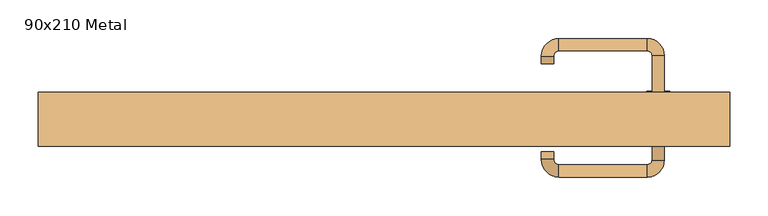
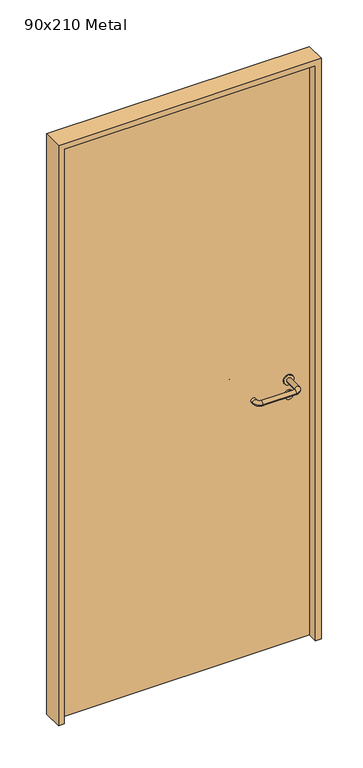
"""IFC4 building model written with IfcOpenShell, lengths in millimetres: door geometry, 90x210 Metal."""

from ifc_helpers import new_model, si_unit, point, frame, frame_2d, origin, origin_with_axes, place, context, project, spatial, polyline, circle_curve, ellipse_curve, trimmed, segment, composite_curve, outline, extrude, source, transform, mapped, element, save
from ifc_brep_helpers import plane_surface, cylinder_surface, revolved_surface, advanced_brep


def door_90x210_metal_a7bb3aa3(model_context):
    return source(origin(), model_context, "Body", "SolidModel", [
        extrude(outline(composite_curve([segment(trimmed(circle_curve(frame_2d((897.3605726, 357.0)), 15.0), [point((897.3605726, 372.0))], [point((897.3605726, 342.0))], False, "CARTESIAN"), True, "CONTINUOUS"), segment(trimmed(circle_curve(frame_2d((897.3605726, 357.0)), 15.0), [point((897.3605726, 342.0))], [point((897.3605726, 372.0))], False, "CARTESIAN"), True, "CONTINUOUS")], self_intersect=False), holes=[composite_curve([segment(trimmed(circle_curve(frame_2d((892.5833211, 356.9398032)), 2.0), [point((892.5833211, 358.9398032))], [point((892.5833211, 354.9398032))], True, "CARTESIAN"), True, "CONTINUOUS"), segment(polyline([(892.5833211, 354.9398032), (902.5833211, 354.9398032)]), True, "CONTINUOUS"), segment(trimmed(circle_curve(frame_2d((902.5833211, 356.9398032)), 2.0), [point((902.5833211, 354.9398032))], [point((902.5833211, 358.9398032))], True, "CARTESIAN"), True, "CONTINUOUS"), segment(polyline([(902.5833211, 358.9398032), (892.5833211, 358.9398032)]), True, "CONTINUOUS")], self_intersect=False)]), frame((0.0, -1.35, 0.0), z_axis=(0.0, 1.0, 0.0), x_axis=(0.0, 0.0, 1.0)), (0.0, 0.0, 1.0), 6.35),
        extrude(outline(composite_curve([segment(trimmed(circle_curve(frame_2d((950.0, 357.0)), 17.526), [point((950.0, 374.526))], [point((950.0, 339.474))], False, "CARTESIAN"), True, "CONTINUOUS"), segment(trimmed(circle_curve(frame_2d((950.0, 357.0)), 17.526), [point((950.0, 339.474))], [point((950.0, 374.526))], False, "CARTESIAN"), True, "CONTINUOUS")], self_intersect=False)), frame((0.0, 1.825, 0.0), z_axis=(0.0, 1.0, 0.0), x_axis=(0.0, 0.0, 1.0)), (0.0, 0.0, 1.0), 3.175),
        advanced_brep(
        [(365.0, 5.0, 950.0), (349.0, 5.0, 950.0), (349.0, -48.0, 950.0), (365.0, -48.0, 950.0), (342.8578644, -54.1421356, 950.0), (342.8578644, -70.1421356, 950.0), (227.8578644, -54.1421356, 950.0), (227.8578644, -70.1421356, 950.0), (221.008622, -47.2928932, 950.0), (205.008622, -47.2928932, 950.0), (205.008622, -37.2928932, 950.0), (221.008622, -37.2928932, 950.0)],
        [
            (0, 1, circle_curve(frame((357.0, 5.0, 950.0), z_axis=(0.0, 1.0, 0.0), x_axis=(-1.0, 0.0, 0.0)), 8.0)),
            (1, 0, circle_curve(frame((357.0, 5.0, 950.0), z_axis=(0.0, 1.0, 0.0), x_axis=(-1.0, 0.0, 0.0)), 8.0)),
            (1, 2),
            (2, 3, circle_curve(frame((357.0, -48.0, 950.0), z_axis=(0.0, 1.0, 0.0), x_axis=(-1.0, 0.0, 0.0)), 8.0)),
            (3, 0),
            (3, 2, circle_curve(frame((357.0, -48.0, 950.0), z_axis=(0.0, 1.0, 0.0), x_axis=(-1.0, 0.0, 0.0)), 8.0)),
            (4, 5, circle_curve(frame((342.8578644, -62.1421356, 950.0), z_axis=(1.0, 0.0, 0.0), x_axis=(0.0, 1.0, 0.0)), 8.0)),
            (5, 3, circle_curve(frame((342.8578644, -48.0, 950.0), z_axis=(0.0, 0.0, 1.0), x_axis=(1.0, 0.0, 0.0)), 22.1421356)),
            (2, 4, circle_curve(frame((342.8578644, -48.0, 950.0), z_axis=(0.0, 0.0, -1.0), x_axis=(1.0, 0.0, 0.0)), 6.1421356)),
            (5, 4, circle_curve(frame((342.8578644, -62.1421356, 950.0), z_axis=(1.0, 0.0, 0.0), x_axis=(0.0, 1.0, 0.0)), 8.0)),
            (4, 6),
            (6, 7, circle_curve(frame((227.8578644, -62.1421356, 950.0), z_axis=(1.0, 0.0, 0.0), x_axis=(0.0, 1.0, 0.0)), 8.0)),
            (7, 5),
            (7, 6, circle_curve(frame((227.8578644, -62.1421356, 950.0), z_axis=(1.0, 0.0, 0.0), x_axis=(0.0, 1.0, 0.0)), 8.0)),
            (8, 9, circle_curve(frame((213.008622, -47.2928932, 950.0), z_axis=(0.0, -1.0, 0.0), x_axis=(1.0, 0.0, 0.0)), 8.0)),
            (9, 7, circle_curve(frame((227.8578644, -47.2928932, 950.0), z_axis=(0.0, 0.0, 1.0), x_axis=(0.0, -1.0, 0.0)), 22.8492424)),
            (6, 8, circle_curve(frame((227.8578644, -47.2928932, 950.0), z_axis=(0.0, 0.0, -1.0), x_axis=(0.0, -1.0, 0.0)), 6.8492424)),
            (9, 8, circle_curve(frame((213.008622, -47.2928932, 950.0), z_axis=(0.0, -1.0, 0.0), x_axis=(1.0, 0.0, 0.0)), 8.0)),
            (10, 11, circle_curve(frame((213.008622, -37.2928932, 950.0), z_axis=(0.0, 1.0, 0.0), x_axis=(1.0, 0.0, 0.0)), 8.0)),
            (11, 10, circle_curve(frame((213.008622, -37.2928932, 950.0), z_axis=(0.0, 1.0, 0.0), x_axis=(1.0, 0.0, 0.0)), 8.0)),
            (8, 11),
            (10, 9),
        ],
        [
            plane_surface(frame((357.0, 5.0, 0.0), z_axis=(0.0, 1.0, 0.0), x_axis=(0.0, 0.0, 1.0))),
            cylinder_surface(frame((357.0, 5.0, 950.0), z_axis=(0.0, 1.0, 0.0), x_axis=(-1.0, 0.0, 0.0)), 8.0),
            revolved_surface(trimmed(ellipse_curve(frame((357.0, -48.0, 950.0), z_axis=(0.0, -1.0, 0.0), x_axis=(-1.0, 0.0, 0.0)), 8.0, 8.0), [point((365.0, -48.0, 950.0))], [point((349.0, -48.0, 950.0))], True, "CARTESIAN"), (342.8578644, -48.0, 0.0), (0.0, 0.0, 1.0)),
            revolved_surface(trimmed(ellipse_curve(frame((357.0, -48.0, 950.0), z_axis=(0.0, -1.0, 0.0), x_axis=(-1.0, 0.0, 0.0)), 8.0, 8.0), [point((349.0, -48.0, 950.0))], [point((365.0, -48.0, 950.0))], True, "CARTESIAN"), (342.8578644, -48.0, 0.0), (0.0, 0.0, 1.0)),
            cylinder_surface(frame((342.8578644, -62.1421356, 950.0), z_axis=(1.0, 0.0, 0.0), x_axis=(0.0, 1.0, 0.0)), 8.0),
            revolved_surface(trimmed(ellipse_curve(frame((227.8578644, -62.1421356, 950.0), z_axis=(-1.0, 0.0, 0.0), x_axis=(0.0, 1.0, 0.0)), 8.0, 8.0), [point((227.8578644, -70.1421356, 950.0))], [point((227.8578644, -54.1421356, 950.0))], True, "CARTESIAN"), (227.8578644, -47.2928932, 0.0), (0.0, 0.0, 1.0)),
            revolved_surface(trimmed(ellipse_curve(frame((227.8578644, -62.1421356, 950.0), z_axis=(-1.0, 0.0, 0.0), x_axis=(0.0, 1.0, 0.0)), 8.0, 8.0), [point((227.8578644, -54.1421356, 950.0))], [point((227.8578644, -70.1421356, 950.0))], True, "CARTESIAN"), (227.8578644, -47.2928932, 0.0), (0.0, 0.0, 1.0)),
            plane_surface(frame((213.008622, -37.2928932, 0.0), z_axis=(0.0, 1.0, 0.0), x_axis=(0.0, 0.0, 1.0))),
            cylinder_surface(frame((213.008622, -47.2928932, 950.0), z_axis=(0.0, -1.0, 0.0), x_axis=(1.0, 0.0, 0.0)), 8.0),
        ],
        [
            (0, [[1, 2]]),
            (1, [[3, 4, 5, -2]]),
            (1, [[-5, 6, -3, -1]]),
            (2, [[7, 8, -4, 9]]),
            (3, [[10, -9, -6, -8]]),
            (4, [[11, 12, 13, -7]]),
            (4, [[-13, 14, -11, -10]]),
            (5, [[15, 16, -12, 17]]),
            (6, [[18, -17, -14, -16]]),
            (7, [[19, 20]]),
            (8, [[21, -19, 22, -15]]),
            (8, [[-22, -20, -21, -18]]),
        ],
    ),
        extrude(outline(composite_curve([segment(trimmed(circle_curve(frame_2d((0.0, -15.0)), 15.0), [point((0.0, -30.0))], [point((0.0, 0.0))], False, "CARTESIAN"), True, "CONTINUOUS"), segment(trimmed(circle_curve(frame_2d((0.0, -15.0)), 15.0), [point((0.0, 0.0))], [point((0.0, -30.0))], False, "CARTESIAN"), True, "CONTINUOUS")], self_intersect=False), holes=[composite_curve([segment(trimmed(circle_curve(frame_2d((4.7772515, -14.9398032)), 2.0), [point((4.7772515, -16.9398032))], [point((4.7772515, -12.9398032))], True, "CARTESIAN"), True, "CONTINUOUS"), segment(polyline([(4.7772515, -12.9398032), (-5.2227485, -12.9398032)]), True, "CONTINUOUS"), segment(trimmed(circle_curve(frame_2d((-5.2227485, -14.9398032)), 2.0), [point((-5.2227485, -12.9398032))], [point((-5.2227485, -16.9398032))], True, "CARTESIAN"), True, "CONTINUOUS"), segment(polyline([(-5.2227485, -16.9398032), (4.7772515, -16.9398032)]), True, "CONTINUOUS")], self_intersect=False)]), frame((342.0, 35.0, 897.3605726), z_axis=(1.8870575173328306e-12, 1.0, 0.0), x_axis=(0.0, 0.0, -1.0)), (0.0, 0.0, 1.0), 6.35),
        extrude(outline(composite_curve([segment(trimmed(circle_curve(frame_2d((0.0, -17.526)), 17.526), [point((0.0, -35.052))], [point((0.0, 0.0))], False, "CARTESIAN"), True, "CONTINUOUS"), segment(trimmed(circle_curve(frame_2d((0.0, -17.526)), 17.526), [point((0.0, 0.0))], [point((0.0, -35.052))], False, "CARTESIAN"), True, "CONTINUOUS")], self_intersect=False)), frame((339.474, 35.0, 950.0), z_axis=(1.8870575173328306e-12, 1.0, 0.0), x_axis=(0.0, 0.0, -1.0)), (0.0, 0.0, 1.0), 3.175),
        advanced_brep(
        [(365.0, 35.0, 950.0), (349.0, 35.0, 950.0), (365.0, 88.0, 950.0), (349.0, 88.0, 950.0), (342.8578644, 94.1421356, 950.0), (342.8578644, 110.1421356, 950.0), (227.8578644, 110.1421356, 950.0), (227.8578644, 94.1421356, 950.0), (221.008622, 87.2928932, 950.0), (205.008622, 87.2928932, 950.0), (205.008622, 77.2928932, 950.0), (221.008622, 77.2928932, 950.0)],
        [
            (0, 1, circle_curve(frame((357.0, 35.0, 950.0), z_axis=(-1.888672253512351e-12, -1.0, 0.0), x_axis=(-1.0, 1.888672253512351e-12, 0.0)), 8.0)),
            (1, 0, circle_curve(frame((357.0, 35.0, 950.0), z_axis=(-1.888672253512351e-12, -1.0, 0.0), x_axis=(-1.0, 1.888672253512351e-12, 0.0)), 8.0)),
            (0, 2),
            (2, 3, circle_curve(frame((357.0, 88.0, 950.0), z_axis=(-1.888672253512351e-12, -1.0, 0.0), x_axis=(-1.0, 1.888672253512351e-12, 0.0)), 8.0)),
            (3, 1),
            (3, 2, circle_curve(frame((357.0, 88.0, 950.0), z_axis=(-1.888672253512351e-12, -1.0, 0.0), x_axis=(-1.0, 1.888672253512351e-12, 0.0)), 8.0)),
            (4, 3, circle_curve(frame((342.8578644, 88.0, 950.0), z_axis=(0.0, 0.0, -1.0), x_axis=(1.0, -1.880717803715015e-12, 0.0)), 6.1421356)),
            (2, 5, circle_curve(frame((342.8578644, 88.0, 950.0), z_axis=(0.0, 0.0, 1.0), x_axis=(1.0, -1.880717803715015e-12, 0.0)), 22.1421356)),
            (5, 4, circle_curve(frame((342.8578644, 102.1421356, 950.0), z_axis=(1.0, -1.913702061528922e-12, 0.0), x_axis=(-1.913702061528922e-12, -1.0, 0.0)), 8.0)),
            (4, 5, circle_curve(frame((342.8578644, 102.1421356, 950.0), z_axis=(1.0, -1.913702061528922e-12, 0.0), x_axis=(-1.913702061528922e-12, -1.0, 0.0)), 8.0)),
            (5, 6),
            (6, 7, circle_curve(frame((227.8578644, 102.1421356, 950.0), z_axis=(1.0, -1.913719828541269e-12, 0.0), x_axis=(-1.913719828541269e-12, -1.0, 0.0)), 8.0)),
            (7, 4),
            (7, 6, circle_curve(frame((227.8578644, 102.1421356, 950.0), z_axis=(1.0, -1.913719828541269e-12, 0.0), x_axis=(-1.913719828541269e-12, -1.0, 0.0)), 8.0)),
            (8, 7, circle_curve(frame((227.8578644, 87.2928932, 950.0), z_axis=(0.0, 0.0, -1.0), x_axis=(1.9120873253494017e-12, 1.0, 0.0)), 6.8492424)),
            (6, 9, circle_curve(frame((227.8578644, 87.2928932, 950.0), z_axis=(0.0, 0.0, 1.0), x_axis=(1.9120873253494017e-12, 1.0, 0.0)), 22.8492424)),
            (9, 8, circle_curve(frame((213.008622, 87.2928932, 950.0), z_axis=(1.890448610351751e-12, 1.0, 0.0), x_axis=(1.0, -1.890448610351751e-12, 0.0)), 8.0)),
            (8, 9, circle_curve(frame((213.008622, 87.2928932, 950.0), z_axis=(1.8888942981172756e-12, 1.0, 0.0), x_axis=(1.0, -1.8888942981172756e-12, 0.0)), 8.0)),
            (10, 11, circle_curve(frame((213.008622, 77.2928932, 950.0), z_axis=(-1.8903642334018795e-12, -1.0, 0.0), x_axis=(1.0, -1.8903642334018795e-12, 0.0)), 8.0)),
            (11, 10, circle_curve(frame((213.008622, 77.2928932, 950.0), z_axis=(-1.8903642334018795e-12, -1.0, 0.0), x_axis=(1.0, -1.8903642334018795e-12, 0.0)), 8.0)),
            (9, 10),
            (11, 8),
        ],
        [
            plane_surface(frame((357.0, 35.0, 0.0), z_axis=(-1.8870575173328306e-12, -1.0, 0.0), x_axis=(0.0, 0.0, 1.0))),
            cylinder_surface(frame((357.0, 35.0, 950.0), z_axis=(-1.888672253512351e-12, -1.0, 0.0), x_axis=(-1.0, 1.888672253512351e-12, 0.0)), 8.0),
            revolved_surface(trimmed(ellipse_curve(frame((357.0, 88.0, 950.0), z_axis=(-1.8823325398945356e-12, -1.0, 0.0), x_axis=(-1.0, 1.8823325398945356e-12, 0.0)), 8.0, 8.0), [point((365.0, 88.0, 950.0))], [point((349.0, 88.0, 950.0))], True, "CARTESIAN"), (342.8578644, 88.0, 0.0), (0.0, 0.0, 1.0)),
            revolved_surface(trimmed(ellipse_curve(frame((357.0, 88.0, 950.0), z_axis=(-1.8823325398945356e-12, -1.0, 0.0), x_axis=(-1.0, 1.8823325398945356e-12, 0.0)), 8.0, 8.0), [point((349.0, 88.0, 950.0))], [point((365.0, 88.0, 950.0))], True, "CARTESIAN"), (342.8578644, 88.0, 0.0), (0.0, 0.0, 1.0)),
            cylinder_surface(frame((342.8578644, 102.1421356, 950.0), z_axis=(1.0, -1.913719828541269e-12, 0.0), x_axis=(-1.913719828541269e-12, -1.0, 0.0)), 8.0),
            revolved_surface(trimmed(ellipse_curve(frame((227.8578644, 102.1421356, 950.0), z_axis=(1.0, -1.913702061528922e-12, 0.0), x_axis=(-1.913702061528922e-12, -1.0, 0.0)), 8.0, 8.0), [point((227.8578644, 110.1421356, 950.0))], [point((227.8578644, 94.1421356, 950.0))], True, "CARTESIAN"), (227.8578644, 87.2928932, 0.0), (0.0, 0.0, 1.0)),
            revolved_surface(trimmed(ellipse_curve(frame((227.8578644, 102.1421356, 950.0), z_axis=(1.0, -1.913702061528922e-12, 0.0), x_axis=(-1.913702061528922e-12, -1.0, 0.0)), 8.0, 8.0), [point((227.8578644, 94.1421356, 950.0))], [point((227.8578644, 110.1421356, 950.0))], True, "CARTESIAN"), (227.8578644, 87.2928932, 0.0), (0.0, 0.0, 1.0)),
            plane_surface(frame((213.008622, 77.2928932, 0.0), z_axis=(-1.8887494972223595e-12, -1.0, 0.0), x_axis=(0.0, 0.0, 1.0))),
            cylinder_surface(frame((213.008622, 87.2928932, 950.0), z_axis=(1.8903642334018795e-12, 1.0, 0.0), x_axis=(1.0, -1.8903642334018795e-12, 0.0)), 8.0),
        ],
        [
            (0, [[1, 2]]),
            (1, [[-1, 3, 4, 5]]),
            (1, [[-2, -5, 6, -3]]),
            (2, [[7, -4, 8, 9]]),
            (3, [[-8, -6, -7, 10]]),
            (4, [[-9, 11, 12, 13]]),
            (4, [[-10, -13, 14, -11]]),
            (5, [[15, -12, 16, 17]]),
            (6, [[-16, -14, -15, 18]]),
            (7, [[19, 20]]),
            (8, [[-17, 21, -20, 22]]),
            (8, [[-18, -22, -19, -21]]),
        ],
    ),
        extrude(outline(polyline([(2080.0, 430.0), (0.0, 430.0), (0.0, 450.0), (2100.0, 450.0), (2100.0, -450.0), (0.0, -450.0), (0.0, -430.0), (2080.0, -430.0), (2080.0, 430.0)])), frame((0.0, -30.0, 0.0), z_axis=(0.0, 1.0, 0.0), x_axis=(0.0, 0.0, 1.0)), (0.0, 0.0, 1.0), 70.0),
        extrude(outline(polyline([(-430.0, 35.0), (430.0, 35.0), (430.0, 5.0), (-430.0, 5.0), (-430.0, 35.0)])), origin_with_axes(), (0.0, 0.0, 1.0), 2080.0),
    ])


if __name__ == "__main__":
    model = new_model("IFC4")
    model_context = context("Model", 3, world=origin())
    ifc_project = project(units=[si_unit("LENGTHUNIT", "METRE", prefix="MILLI")], contexts=[model_context])
    site = spatial("IfcSite", under=ifc_project)
    building = spatial("IfcBuilding", under=site)
    placement = place(None, origin())
    door_90x210_metal_shape = door_90x210_metal_a7bb3aa3(model_context)
    element("IfcDoor", 1, ObjectType="90x210 Metal", at=placement, inside=building, context=model_context, shape_type="MappedRepresentation", body=[
        mapped(door_90x210_metal_shape, transform((0.0, 0.0, 0.0), x_axis=(1.0, 0.0, 0.0), y_axis=(0.0, 1.0, 0.0), z_axis=(0.0, 0.0, 1.0))),
    ])
    save(model, "model.ifc")
